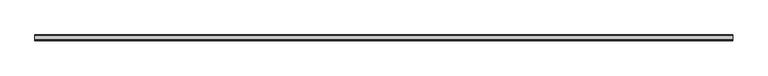
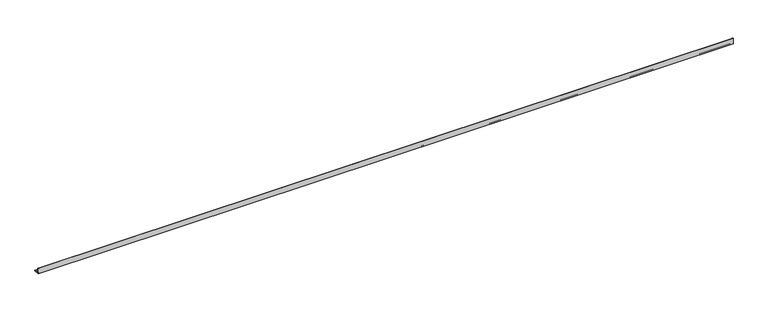
"""IFC4 building model written with IfcOpenShell, lengths in millimetres: beam geometry."""

from ifc_helpers import new_model, si_unit, point, frame, frame_2d, origin, place, context, project, spatial, polyline, circle_curve, trimmed, segment, composite_curve, outline, extrude, source, transform, mapped, element, save


def beam_474e56cf(model_context):
    return source(origin(), model_context, "Body", "SweptSolid", [
        extrude(outline(composite_curve([segment(polyline([(-21.3, -21.3), (-21.3, 53.7), (-18.3, 53.7)]), True, "CONTINUOUS"), segment(trimmed(circle_curve(frame_2d((-18.3, 48.7)), 5.0), [point((-18.3, 53.7))], [point((-13.3, 48.7))], False, "CARTESIAN"), True, "CONTINUOUS"), segment(polyline([(-13.3, 48.7), (-13.3, -5.3)]), True, "CONTINUOUS"), segment(trimmed(circle_curve(frame_2d((-5.3, -5.3)), 8.0), [point((-13.3, -5.3))], [point((-5.3, -13.3))], True, "CARTESIAN"), True, "CONTINUOUS"), segment(polyline([(-5.3, -13.3), (48.7, -13.3)]), True, "CONTINUOUS"), segment(trimmed(circle_curve(frame_2d((48.7, -18.3)), 5.0), [point((48.7, -13.3))], [point((53.7, -18.3))], False, "CARTESIAN"), True, "CONTINUOUS"), segment(polyline([(53.7, -18.3), (53.7, -21.3), (-21.3, -21.3)]), True, "CONTINUOUS")], self_intersect=False)), frame((-4471.0, 0.0, 0.0), z_axis=(1.0, 0.0, 0.0), x_axis=(0.0, 1.0, 0.0)), (0.0, 0.0, 1.0), 8912.0),
    ])


if __name__ == "__main__":
    model = new_model("IFC4")
    model_context = context("Model", 3, world=origin())
    ifc_project = project(units=[si_unit("LENGTHUNIT", "METRE", prefix="MILLI")], contexts=[model_context])
    site = spatial("IfcSite", under=ifc_project)
    building = spatial("IfcBuilding", under=site)
    placement = place(None, origin())
    beam_shape = beam_474e56cf(model_context)
    element("IfcBeam", 1, at=placement, inside=building, context=model_context, shape_type="MappedRepresentation", body=[
        mapped(beam_shape, transform((0.0, 0.0, 0.0), x_axis=(1.0, 0.0, 0.0), y_axis=(0.0, 1.0, 0.0), z_axis=(0.0, 0.0, 1.0))),
    ])
    save(model, "model.ifc")
